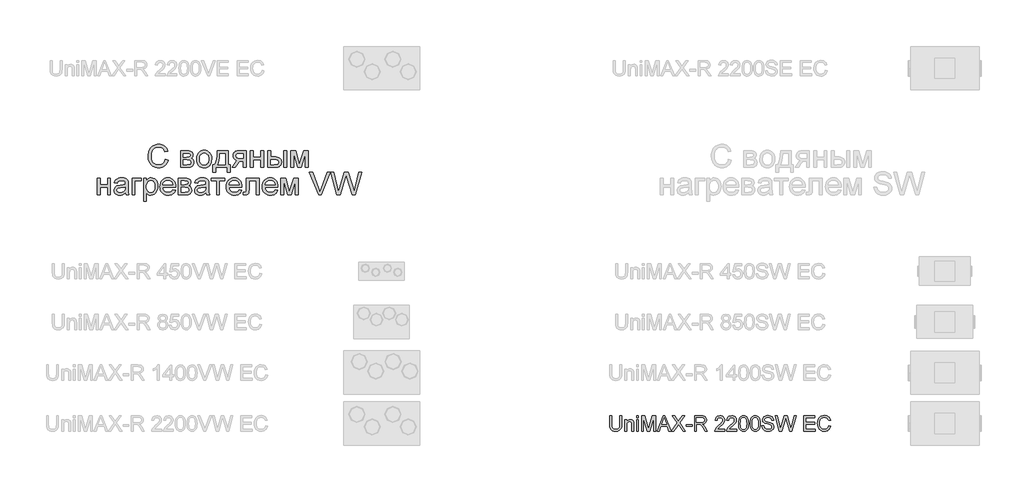
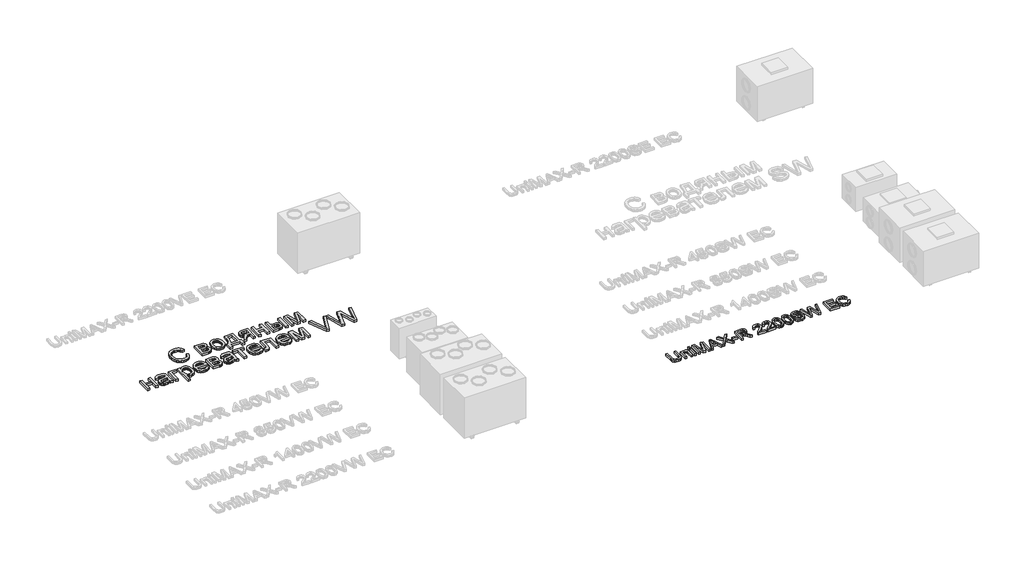
# One storey, part 13 of 74: 2 proxies.
"""IFC4 building model written with IfcOpenShell, lengths in millimetres."""

from ifc_helpers import new_model, si_unit, origin, origin_with_axes, place, context, project, spatial, polyline, outline, extrude, element, save

model = new_model("IFC4")

# Units and contexts
model_context = context("Model", 3, world=origin())
ifc_project = project(units=[si_unit("LENGTHUNIT", "METRE", prefix="MILLI")], contexts=[model_context])

# Site, building, storey
site = spatial("IfcSite", under=ifc_project)
building = spatial("IfcBuilding", under=site)
storey = spatial("IfcBuildingStorey", under=building, Elevation=0.0)

# Proxies
placement = place(None, origin())
element("IfcBuildingElementProxy", 1, Name="Generic Models", at=placement, inside=storey, context=model_context, shape_type="SweptSolid", body=[
    extrude(outline(polyline([(47217.6929066, -32678.9298031), (47273.8999244, -32693.4206749), (47262.7779059, -32728.3751002), (47247.9645573, -32758.9177687), (47229.4598787, -32785.0486803), (47207.2638701, -32806.7678349), (47181.8773996, -32823.8419516), (47153.8013355, -32836.0377492), (47123.0356778, -32843.3552278), (47089.5804264, -32845.7943874), (47055.3052607, -32843.9487223), (47024.3852258, -32838.4117273), (46996.8203217, -32829.1834022), (46972.6105485, -32816.2637471), (46951.4231374, -32799.8448758), (46932.92532, -32780.1189021), (46917.1170963, -32757.0858261), (46903.9984661, -32730.7456477), (46886.3377161, -32672.699826), (46880.4507995, -32610.5372794), (46882.1146425, -32576.6360495), (46887.1061715, -32544.9715735), (46895.4253864, -32515.5438514), (46907.0722874, -32488.3528832), (46921.7861485, -32463.848078), (46939.3062437, -32442.4788449), (46959.6325731, -32424.2451841), (46982.7651367, -32409.1470953), (47007.918326, -32397.3080805), (47034.3065329, -32388.8516414), (47061.9297573, -32383.7777779), (47090.7879991, -32382.0864901), (47122.9361903, -32384.2752155), (47152.4153715, -32390.8413918), (47179.2255426, -32401.7850189), (47203.3667038, -32417.1060969), (47224.4409049, -32436.3998145), (47242.0501958, -32459.2613603), (47256.1945766, -32485.6907344), (47266.8740472, -32515.6879368), (47210.6670294, -32529.0810153), (47191.181198, -32488.0921573), (47178.7624111, -32472.4245883), (47164.55971, -32459.9749259), (47148.4907603, -32450.4893056), (47130.4732275, -32443.7138624), (47088.5924125, -32438.2935079), (47063.3774722, -32439.7961125), (47040.3169513, -32444.3039263), (47019.4108498, -32451.8169494), (47000.6591677, -32462.3351816), (46984.2986167, -32475.3851996), (46970.5659084, -32490.4935802), (46959.4610429, -32507.6603232), (46950.9840201, -32526.8854286), (46940.239368, -32568.0252332), (46936.6578173, -32610.4275001), (46940.898044, -32662.353124), (46953.6187241, -32707.2528707), (46963.2793053, -32726.6392146), (46975.3001421, -32743.4114381), (46989.6812346, -32757.5695413), (47006.4225826, -32769.1135241), (47043.733833, -32784.4689082), (47083.9816805, -32789.5873695), (47108.4178737, -32787.8446226), (47130.8986224, -32782.6163819), (47151.4239269, -32773.9026475), (47169.9937869, -32761.7034192), (47186.1690854, -32746.0735869), (47199.5107048, -32727.0680401), (47210.0186452, -32704.6867788), (47217.6929066, -32678.9298031)])), origin_with_axes(), (0.0, 0.0, 1.0), 50.0),
    extrude(outline(polyline([(47519.8056275, -32508.5522802), (47643.6367137, -32508.5522802), (47683.4454439, -32510.4322513), (47711.5352304, -32516.0721645), (47732.2011896, -32526.7207596), (47749.7384379, -32543.6267767), (47761.7181075, -32565.6512552), (47765.7113306, -32591.6552344), (47763.2961853, -32612.6093643), (47756.0507495, -32630.6817868), (47743.9475781, -32645.9548363), (47726.9592265, -32658.5108474), (47747.7624099, -32670.1886238), (47764.7233167, -32688.974612), (47776.003143, -32713.3867909), (47779.7630851, -32741.9431395), (47776.6412354, -32764.9487707), (47770.2397281, -32784.7845237), (47760.5585633, -32801.4503985), (47747.5977409, -32814.9463951), (47731.3366774, -32825.3685704), (47711.7547891, -32832.8129814), (47688.852076, -32837.2796279), (47662.6285381, -32838.7685101), (47519.8056275, -32838.7685101), (47519.8056275, -32508.5522802)]), holes=[polyline([(47576.0126454, -32635.0180704), (47631.5609873, -32635.0180704), (47677.3938583, -32632.1638078), (47699.6790626, -32620.7467573), (47707.0480002, -32611.3057348), (47709.5043128, -32600.1082429), (47705.195474, -32583.33945), (47692.2689577, -32572.5536306), (47668.9134049, -32566.7078812), (47633.3174566, -32564.7592981), (47576.0126454, -32564.7592981), (47576.0126454, -32635.0180704)]), polyline([(47576.0126454, -32782.5614923), (47644.9540657, -32782.5614923), (47682.526042, -32780.0228452), (47706.1011535, -32772.4069041), (47718.7532215, -32758.5609859), (47723.5560673, -32737.3324076), (47721.1546444, -32723.2669307), (47713.9503757, -32710.2718023), (47702.8901081, -32700.1034917), (47688.9206881, -32694.5184682), (47639.4650991, -32691.2250883), (47576.0126454, -32691.2250883), (47576.0126454, -32782.5614923)])]), origin_with_axes(), (0.0, 0.0, 1.0), 50.0),
    extrude(outline(polyline([(47835.970103, -32673.6603952), (47839.0096182, -32630.8944843), (47848.128164, -32594.0429348), (47863.3257402, -32563.1057469), (47884.6023469, -32538.0829205), (47906.023039, -32522.0894441), (47929.6667626, -32510.6655324), (47955.5335176, -32503.8111853), (47983.6233042, -32501.526403), (48014.6325348, -32504.3086229), (48042.6708622, -32512.6552828), (48067.7382865, -32526.5663825), (48089.8348076, -32546.041922), (48107.8694935, -32570.4232255), (48120.7514119, -32599.0516168), (48128.480563, -32631.9270961), (48131.0569467, -32669.0496632), (48126.5011044, -32725.8330226), (48120.8063016, -32749.140547), (48112.8335776, -32769.0586345), (48090.4523164, -32801.4298149), (48059.7552707, -32825.64988), (48023.2948102, -32840.7582605), (47983.6233042, -32845.7943874), (47952.1612338, -32843.0224592), (47923.8621804, -32834.7066748), (47898.7261441, -32820.8470342), (47876.7531247, -32801.4435373), (47858.9105527, -32776.8255222), (47846.1658584, -32747.3223268), (47838.5190418, -32712.9339511), (47835.970103, -32673.6603952)]), holes=[polyline([(47892.1771208, -32673.5506158), (47893.8032272, -32700.8136268), (47898.6815462, -32724.4196137), (47906.812078, -32744.3685766), (47918.1948224, -32760.6605156), (47932.0407407, -32773.3160142), (47947.5607937, -32782.355656), (47964.7549815, -32787.7794411), (47983.6233042, -32789.5873695), (48002.3955699, -32787.7691493), (48019.5211456, -32782.3144888), (48035.0000314, -32773.2233879), (48048.8322272, -32760.4958466), (48060.2149717, -32744.0426692), (48068.3455034, -32723.7746601), (48073.2238225, -32699.6918192), (48074.8499288, -32671.7941465), (48073.2135307, -32645.3956479), (48068.3043362, -32622.4071697), (48060.1223454, -32602.828712), (48048.6675582, -32586.6602748), (48034.7839034, -32574.0047762), (48019.3153094, -32564.9651343), (48002.2617763, -32559.5413492), (47983.6233042, -32557.7334209), (47964.7549815, -32559.534488), (47947.5607937, -32564.9376895), (47932.0407407, -32573.9430253), (47918.1948224, -32586.5504954), (47906.812078, -32602.7944059), (47898.6815462, -32622.7090628), (47893.8032272, -32646.2944661), (47892.1771208, -32673.5506158)])]), origin_with_axes(), (0.0, 0.0, 1.0), 50.0),
    extrude(outline(polyline([(48243.4709824, -32508.5522802), (48454.2472993, -32508.5522802), (48454.2472993, -32782.5614923), (48496.4025627, -32782.5614923), (48496.4025627, -32930.1049141), (48440.1955449, -32930.1049141), (48440.1955449, -32838.7685101), (48208.3415962, -32838.7685101), (48208.3415962, -32930.1049141), (48152.1345784, -32930.1049141), (48152.1345784, -32782.5614923), (48187.2639645, -32782.5614923), (48200.9898116, -32761.350067), (48212.8013816, -32736.4130057), (48230.6816902, -32675.3619748), (48240.9048905, -32599.4083997), (48243.4709824, -32508.5522802)]), holes=[polyline([(48292.652123, -32564.7592981), (48288.0413911, -32633.5772167), (48279.4786032, -32692.8168886), (48266.9637594, -32742.4783138), (48250.4968596, -32782.5614923), (48398.0402815, -32782.5614923), (48398.0402815, -32564.7592981), (48292.652123, -32564.7592981)])]), origin_with_axes(), (0.0, 0.0, 1.0), 50.0),
    extrude(outline(polyline([(48812.5670381, -32508.5522802), (48812.5670381, -32838.7685101), (48756.3600203, -32838.7685101), (48756.3600203, -32712.30272), (48725.7315867, -32712.30272), (48701.3056854, -32714.0866341), (48684.0154407, -32719.4383765), (48667.3564271, -32734.9995968), (48644.8242192, -32767.4119445), (48600.0342519, -32838.7685101), (48535.0448875, -32838.7685101), (48591.471464, -32748.5298994), (48616.3913723, -32716.1449966), (48628.110316, -32706.703974), (48639.3352527, -32701.7639041), (48618.6967383, -32697.2012006), (48600.9124865, -32689.9900708), (48585.9824974, -32680.1305145), (48573.9067709, -32667.6225319), (48557.9338782, -32637.872333), (48552.6095806, -32603.9505195), (48554.4278008, -32583.7099552), (48559.8824613, -32565.4728637), (48568.9735622, -32549.2392451), (48581.7011035, -32535.0090992), (48597.8729713, -32523.4342409), (48617.2970518, -32515.166485), (48639.973345, -32510.2058314), (48665.9018509, -32508.5522802), (48812.5670381, -32508.5522802)]), holes=[polyline([(48756.3600203, -32564.7592981), (48682.2589714, -32564.7592981), (48643.9871518, -32568.0115108), (48631.0572049, -32572.0767767), (48622.2645666, -32577.7681489), (48612.1785905, -32591.8885154), (48608.8165984, -32608.2319135), (48613.7703908, -32629.6526056), (48628.6317678, -32644.5139826), (48656.0903232, -32653.2002722), (48698.8356505, -32656.0957021), (48756.3600203, -32656.0957021), (48756.3600203, -32564.7592981)])]), origin_with_axes(), (0.0, 0.0, 1.0), 50.0),
    extrude(outline(polyline([(48896.8775649, -32508.5522802), (48953.0845828, -32508.5522802), (48953.0845828, -32635.0180704), (49100.6280046, -32635.0180704), (49100.6280046, -32508.5522802), (49156.8350225, -32508.5522802), (49156.8350225, -32838.7685101), (49100.6280046, -32838.7685101), (49100.6280046, -32691.2250883), (48953.0845828, -32691.2250883), (48953.0845828, -32838.7685101), (48896.8775649, -32838.7685101), (48896.8775649, -32508.5522802)])), origin_with_axes(), (0.0, 0.0, 1.0), 50.0),
    extrude(outline(polyline([(49241.1455493, -32508.5522802), (49297.3525671, -32508.5522802), (49297.3525671, -32627.9921932), (49366.8428841, -32627.9921932), (49398.8195451, -32629.7520931), (49426.905901, -32635.0317928), (49451.1019518, -32643.8312924), (49471.4076976, -32656.1505918), (49487.4732167, -32671.5642961), (49498.9485874, -32689.6470104), (49505.8338099, -32710.3987347), (49508.1288841, -32733.819469), (49506.2043152, -32754.7152787), (49500.4306084, -32774.0398716), (49490.8077639, -32791.7932479), (49477.3357815, -32807.9754076), (49459.6372949, -32821.4473899), (49437.3349375, -32831.0702345), (49410.4287094, -32836.8439412), (49378.9186106, -32838.7685101), (49241.1455493, -32838.7685101), (49241.1455493, -32508.5522802)]), holes=[polyline([(49297.3525671, -32782.5614923), (49355.0964956, -32782.5614923), (49399.8590181, -32779.6111727), (49429.6366619, -32770.7602141), (49446.3505651, -32755.6518336), (49451.9218662, -32733.9292483), (49447.7914189, -32715.5686551), (49435.4000768, -32699.3487588), (49424.6451329, -32692.7208317), (49408.9020906, -32687.986598), (49362.4517108, -32684.199211), (49297.3525671, -32684.199211), (49297.3525671, -32782.5614923)])]), origin_with_axes(), (0.0, 0.0, 1.0), 50.0),
    extrude(outline(polyline([(49550.2841475, -32508.5522802), (49606.4911653, -32508.5522802), (49606.4911653, -32838.7685101), (49550.2841475, -32838.7685101), (49550.2841475, -32508.5522802)])), origin_with_axes(), (0.0, 0.0, 1.0), 50.0),
    extrude(outline(polyline([(49690.8016921, -32508.5522802), (49787.5172833, -32508.5522802), (49862.0574496, -32772.9009111), (49942.4159204, -32508.5522802), (50035.0696764, -32508.5522802), (50035.0696764, -32838.7685101), (49978.8626586, -32838.7685101), (49978.8626586, -32572.8829686), (49898.0650704, -32838.7685101), (49824.2933595, -32838.7685101), (49747.0087099, -32560.1485662), (49747.0087099, -32838.7685101), (49690.8016921, -32838.7685101), (49690.8016921, -32508.5522802)])), origin_with_axes(), (0.0, 0.0, 1.0), 50.0),
    extrude(outline(polyline([(45875.7503554, -33048.9843634), (45931.9573732, -33048.9843634), (45931.9573732, -33175.4501536), (46079.5007951, -33175.4501536), (46079.5007951, -33048.9843634), (46135.7078129, -33048.9843634), (46135.7078129, -33379.2005933), (46079.5007951, -33379.2005933), (46079.5007951, -33231.6571714), (45931.9573732, -33231.6571714), (45931.9573732, -33379.2005933), (45875.7503554, -33379.2005933), (45875.7503554, -33048.9843634)])), origin_with_axes(), (0.0, 0.0, 1.0), 50.0),
    extrude(outline(polyline([(46430.7946567, -33337.0453299), (46403.9398876, -33360.0715447), (46376.2892184, -33375.138758), (46347.211418, -33383.4545424), (46316.075255, -33386.2264705), (46291.048998, -33384.5591969), (46269.1034234, -33379.5573761), (46250.2385314, -33371.2210081), (46234.4543218, -33359.5500929), (46221.9909371, -33345.285641), (46213.0885194, -33329.1686629), (46207.7470688, -33311.1991585), (46205.9665852, -33291.3771279), (46208.6561789, -33268.0764647), (46216.7249598, -33246.9164985), (46229.1711915, -33228.8029088), (46244.9931377, -33214.641375), (46263.587012, -33203.9378902), (46284.3490281, -33196.1984473), (46332.9812721, -33187.7454387), (46390.4507522, -33178.8533129), (46430.4653187, -33168.4242764), (46430.7946567, -33155.9094325), (46426.9249352, -33130.8248552), (46415.3157709, -33114.4128451), (46389.3529589, -33102.2273393), (46353.1806691, -33098.165504), (46319.6979729, -33100.8688201), (46296.3149753, -33108.9787682), (46280.3695273, -33123.9773694), (46269.1994803, -33147.3466447), (46212.9924625, -33140.3207674), (46222.7491006, -33109.5825545), (46237.3085845, -33085.4311016), (46258.0294333, -33066.960729), (46286.2701664, -33053.2657574), (46320.8094887, -33044.785304), (46360.426105, -33041.9584862), (46398.4234762, -33044.455966), (46428.5441804, -33051.9484054), (46451.2547796, -33063.2145093), (46467.0218361, -33077.0329827), (46477.4783175, -33094.1173912), (46484.2571912, -33115.1813005), (46487.0016745, -33164.3624411), (46487.0016745, -33234.2918754), (46489.8559371, -33331.940591), (46501.053429, -33379.2005933), (46444.8464111, -33379.2005933), (46435.8445059, -33359.6598722), (46430.7946567, -33337.0453299)]), holes=[polyline([(46430.7946567, -33224.6312942), (46393.0305665, -33233.9899822), (46340.1169286, -33241.8666493), (46291.759133, -33250.9783338), (46279.1756771, -33257.2083109), (46269.8581563, -33265.7985436), (46264.0947414, -33276.090356), (46262.1736031, -33287.425072), (46266.3589401, -33304.1389752), (46278.9149512, -33317.8339469), (46299.567188, -33326.9730762), (46328.0412021, -33330.0194527), (46358.2305184, -33326.6574606), (46384.906896, -33316.5714845), (46406.5334243, -33301.7101075), (46421.5731928, -33284.0219127), (46428.2422872, -33265.7985436), (46430.4653187, -33240.5492973), (46430.7946567, -33224.6312942)])]), origin_with_axes(), (0.0, 0.0, 1.0), 50.0),
    extrude(outline(polyline([(46564.2863241, -33048.9843634), (46746.9591321, -33048.9843634), (46746.9591321, -33105.1913813), (46620.4933419, -33105.1913813), (46620.4933419, -33379.2005933), (46564.2863241, -33379.2005933), (46564.2863241, -33048.9843634)])), origin_with_axes(), (0.0, 0.0, 1.0), 50.0),
    extrude(outline(polyline([(46789.1143955, -33505.6663835), (46789.1143955, -33048.9843634), (46845.3214133, -33048.9843634), (46845.3214133, -33104.093588), (46863.6545617, -33076.9094809), (46884.1832968, -33057.4922616), (46908.1151911, -33045.84193), (46936.6578173, -33041.9584862), (46974.6689109, -33047.3925631), (47007.9046036, -33063.6947939), (47034.9652089, -33089.8771645), (47054.4510403, -33124.951661), (47066.2248736, -33166.3659139), (47070.1494847, -33211.5675537), (47065.7171442, -33259.6371786), (47052.4201226, -33302.6295094), (47030.683815, -33338.3626819), (47000.9336161, -33364.6548318), (46966.2845145, -33380.8335609), (46929.8514988, -33386.2264705), (46904.0121885, -33382.617475), (46880.9448065, -33371.7904884), (46861.1982492, -33355.4470904), (46845.3214133, -33335.2888606), (46845.3214133, -33505.6663835), (46789.1143955, -33505.6663835)]), holes=[polyline([(46845.3214133, -33216.7271823), (46846.8411709, -33243.8152324), (46851.4004438, -33267.1158956), (46858.9992319, -33286.6291718), (46869.6375353, -33302.3550611), (46882.4439805, -33314.4582324), (46896.547194, -33323.1033548), (46911.9471759, -33328.2904282), (46928.6439261, -33330.0194527), (46945.5808186, -33328.2286773), (46961.2621101, -33322.8563513), (46975.6878004, -33313.9024745), (46988.8578896, -33301.3670471), (46999.8323921, -33285.0716775), (47007.6713225, -33264.8379745), (47012.3746808, -33240.6659378), (47013.9424669, -33212.5555677), (47012.4124174, -33185.7007987), (47007.8222691, -33162.4413028), (47000.1720219, -33142.77708), (46989.4616759, -33126.7081303), (46976.6243553, -33114.2207313), (46962.5931845, -33105.3011606), (46947.3681634, -33099.9494182), (46930.9492921, -33098.165504), (46914.5818798, -33100.0626281), (46899.181898, -33105.7540003), (46884.7493464, -33115.2396207), (46871.2842253, -33128.5194893), (46859.925495, -33145.4152145), (46851.8121163, -33165.7484051), (46846.9440891, -33189.5190611), (46845.3214133, -33216.7271823)])]), origin_with_axes(), (0.0, 0.0, 1.0), 50.0),
    extrude(outline(polyline([(47364.5776525, -33280.8383121), (47419.686877, -33287.8641893), (47411.2372991, -33309.9366962), (47399.8305404, -33329.3882215), (47385.4666009, -33346.2187653), (47368.1454807, -33360.4283276), (47348.0455712, -33371.7150151), (47325.3452638, -33379.7769348), (47300.0445584, -33384.6140866), (47272.1434551, -33386.2264705), (47237.2679337, -33383.4442506), (47206.1935216, -33375.0975908), (47178.9202189, -33361.1864911), (47155.4480255, -33341.7109515), (47136.5728416, -33317.2130075), (47123.0905675, -33288.2346945), (47115.001203, -33254.7760126), (47112.3047481, -33216.8369617), (47115.0286478, -33177.6114342), (47123.2003468, -33143.0378059), (47136.8198451, -33113.1160768), (47155.8871428, -33087.8462469), (47179.2975853, -33067.7703516), (47205.9465181, -33053.4304264), (47235.8339412, -33044.8264712), (47268.9598545, -33041.9584862), (47301.01885, -33044.81961), (47330.0108854, -33053.4029815), (47355.9359607, -33067.7086007), (47378.7940759, -33087.7364675), (47397.4531317, -33112.9514078), (47410.7810287, -33142.8182472), (47418.7777669, -33177.3369858), (47421.4433463, -33216.5076237), (47421.1140083, -33231.6571714), (47168.511766, -33231.6571714), (47171.7674093, -33254.0864612), (47178.2409592, -33273.7301003), (47187.9324159, -33290.588089), (47200.8417792, -33304.660427), (47216.2554835, -33315.7550008), (47233.4599631, -33323.6796963), (47252.4552181, -33328.4345136), (47273.2412484, -33330.0194527), (47303.1561163, -33327.0828556), (47328.350473, -33318.2730642), (47348.8243184, -33303.0411819), (47364.5776525, -33280.8383121)]), holes=[polyline([(47168.511766, -33175.4501536), (47365.2363284, -33175.4501536), (47357.6341097, -33145.7548443), (47342.7315654, -33124.5125437), (47327.4036262, -33112.9857138), (47309.9624349, -33104.7522639), (47290.4079915, -33099.812194), (47268.7402958, -33098.165504), (47230.852704, -33103.4211895), (47199.5244272, -33119.1882461), (47187.0679036, -33130.5881435), (47177.7469522, -33143.765094), (47171.561573, -33158.7190973), (47168.511766, -33175.4501536)])]), origin_with_axes(), (0.0, 0.0, 1.0), 50.0),
    extrude(outline(polyline([(47477.6503642, -33048.9843634), (47601.4814504, -33048.9843634), (47641.2901805, -33050.8643345), (47669.379967, -33056.5042476), (47690.0459262, -33067.1528428), (47707.5831745, -33084.0588599), (47719.5628441, -33106.0833383), (47723.5560673, -33132.0873175), (47721.140922, -33153.0414475), (47713.8954861, -33171.11387), (47701.7923147, -33186.3869195), (47684.8039632, -33198.9429306), (47705.6071465, -33210.620707), (47722.5680533, -33229.4066951), (47733.8478796, -33253.818874), (47737.6078217, -33282.3752227), (47734.485972, -33305.3808539), (47728.0844647, -33325.2166069), (47718.4032999, -33341.8824817), (47705.4424775, -33355.3784783), (47689.181414, -33365.8006536), (47669.5995257, -33373.2450646), (47646.6968126, -33377.7117111), (47620.4732748, -33379.2005933), (47477.6503642, -33379.2005933), (47477.6503642, -33048.9843634)]), holes=[polyline([(47533.857382, -33322.9935754), (47602.7988023, -33322.9935754), (47640.3707786, -33320.4549284), (47663.9458901, -33312.8389873), (47676.5979581, -33298.993069), (47681.4008039, -33277.7644908), (47678.999381, -33263.6990139), (47671.7951123, -33250.7038855), (47660.7348447, -33240.5355749), (47646.7654247, -33234.9505514), (47597.3098358, -33231.6571714), (47533.857382, -33231.6571714), (47533.857382, -33322.9935754)]), polyline([(47533.857382, -33175.4501536), (47589.4057239, -33175.4501536), (47635.2385949, -33172.595891), (47657.5237992, -33161.1788405), (47664.8927369, -33151.7378179), (47667.3490494, -33140.5403261), (47663.0402106, -33123.7715332), (47650.1136943, -33112.9857138), (47626.7581415, -33107.1399644), (47591.1621932, -33105.1913813), (47533.857382, -33105.1913813), (47533.857382, -33175.4501536)])]), origin_with_axes(), (0.0, 0.0, 1.0), 50.0),
    extrude(outline(polyline([(48018.642911, -33337.0453299), (47991.788142, -33360.0715447), (47964.1374728, -33375.138758), (47935.0596723, -33383.4545424), (47903.9235093, -33386.2264705), (47878.8972523, -33384.5591969), (47856.9516777, -33379.5573761), (47838.0867857, -33371.2210081), (47822.3025762, -33359.5500929), (47809.8391914, -33345.285641), (47800.9367737, -33329.1686629), (47795.5953231, -33311.1991585), (47793.8148396, -33291.3771279), (47796.5044332, -33268.0764647), (47804.5732141, -33246.9164985), (47817.0194458, -33228.8029088), (47832.841392, -33214.641375), (47851.4352663, -33203.9378902), (47872.1972824, -33196.1984473), (47920.8295264, -33187.7454387), (47978.2990066, -33178.8533129), (48018.313573, -33168.4242764), (48018.642911, -33155.9094325), (48014.7731895, -33130.8248552), (48003.1640252, -33114.4128451), (47977.2012132, -33102.2273393), (47941.0289234, -33098.165504), (47907.5462273, -33100.8688201), (47884.1632296, -33108.9787682), (47868.2177817, -33123.9773694), (47857.0477347, -33147.3466447), (47800.8407168, -33140.3207674), (47810.5973549, -33109.5825545), (47825.1568388, -33085.4311016), (47845.8776877, -33066.960729), (47874.1184207, -33053.2657574), (47908.657743, -33044.785304), (47948.2743593, -33041.9584862), (47986.2717305, -33044.455966), (48016.3924347, -33051.9484054), (48039.1030339, -33063.2145093), (48054.8700905, -33077.0329827), (48065.3265718, -33094.1173912), (48072.1054455, -33115.1813005), (48074.8499288, -33164.3624411), (48074.8499288, -33234.2918754), (48077.7041915, -33331.940591), (48088.9016833, -33379.2005933), (48032.6946654, -33379.2005933), (48023.6927602, -33359.6598722), (48018.642911, -33337.0453299)]), holes=[polyline([(48018.642911, -33224.6312942), (47980.8788209, -33233.9899822), (47927.965183, -33241.8666493), (47879.6073873, -33250.9783338), (47867.0239314, -33257.2083109), (47857.7064106, -33265.7985436), (47851.9429957, -33276.090356), (47850.0218574, -33287.425072), (47854.2071944, -33304.1389752), (47866.7632055, -33317.8339469), (47887.4154423, -33326.9730762), (47915.8894565, -33330.0194527), (47946.0787727, -33326.6574606), (47972.7551503, -33316.5714845), (47994.3816787, -33301.7101075), (48009.4214471, -33284.0219127), (48016.0905415, -33265.7985436), (48018.313573, -33240.5492973), (48018.642911, -33224.6312942)])]), origin_with_axes(), (0.0, 0.0, 1.0), 50.0),
    extrude(outline(polyline([(48124.0310695, -33048.9843634), (48391.0144043, -33048.9843634), (48391.0144043, -33105.1913813), (48285.6262458, -33105.1913813), (48285.6262458, -33379.2005933), (48229.4192279, -33379.2005933), (48229.4192279, -33105.1913813), (48124.0310695, -33105.1913813), (48124.0310695, -33048.9843634)])), origin_with_axes(), (0.0, 0.0, 1.0), 50.0),
    extrude(outline(polyline([(48671.3908175, -33280.8383121), (48726.5000421, -33287.8641893), (48718.0504641, -33309.9366962), (48706.6437054, -33329.3882215), (48692.279766, -33346.2187653), (48674.9586458, -33360.4283276), (48654.8587363, -33371.7150151), (48632.1584288, -33379.7769348), (48606.8577235, -33384.6140866), (48578.9566202, -33386.2264705), (48544.0810987, -33383.4442506), (48513.0066867, -33375.0975908), (48485.7333839, -33361.1864911), (48462.2611906, -33341.7109515), (48443.3860067, -33317.2130075), (48429.9037325, -33288.2346945), (48421.814368, -33254.7760126), (48419.1179132, -33216.8369617), (48421.8418128, -33177.6114342), (48430.0135119, -33143.0378059), (48443.6330102, -33113.1160768), (48462.7003079, -33087.8462469), (48486.1107504, -33067.7703516), (48512.7596832, -33053.4304264), (48542.6471062, -33044.8264712), (48575.7730196, -33041.9584862), (48607.832015, -33044.81961), (48636.8240504, -33053.4029815), (48662.7491258, -33067.7086007), (48685.607241, -33087.7364675), (48704.2662968, -33112.9514078), (48717.5941938, -33142.8182472), (48725.590932, -33177.3369858), (48728.2565114, -33216.5076237), (48727.9271734, -33231.6571714), (48475.324931, -33231.6571714), (48478.5805743, -33254.0864612), (48485.0541243, -33273.7301003), (48494.7455809, -33290.588089), (48507.6549442, -33304.660427), (48523.0686485, -33315.7550008), (48540.2731282, -33323.6796963), (48559.2683832, -33328.4345136), (48580.0544135, -33330.0194527), (48609.9692814, -33327.0828556), (48635.163638, -33318.2730642), (48655.6374834, -33303.0411819), (48671.3908175, -33280.8383121)]), holes=[polyline([(48475.324931, -33175.4501536), (48672.0494935, -33175.4501536), (48664.4472748, -33145.7548443), (48649.5447305, -33124.5125437), (48634.2167913, -33112.9857138), (48616.7756, -33104.7522639), (48597.2211565, -33099.812194), (48575.5534609, -33098.165504), (48537.665869, -33103.4211895), (48506.3375922, -33119.1882461), (48493.8810687, -33130.5881435), (48484.5601173, -33143.765094), (48478.3747381, -33158.7190973), (48475.324931, -33175.4501536)])]), origin_with_axes(), (0.0, 0.0, 1.0), 50.0),
    extrude(outline(polyline([(48812.5670381, -33048.9843634), (49065.4986185, -33048.9843634), (49065.4986185, -33378.8712553), (49009.2916006, -33378.8712553), (49009.2916006, -33105.1913813), (48868.774056, -33105.1913813), (48868.774056, -33262.7247223), (48864.9866691, -33335.3986399), (48857.8921797, -33351.8518173), (48844.1834857, -33366.0819632), (48823.3803023, -33375.9209358), (48795.0023451, -33379.2005933), (48749.3341431, -33376.3463307), (48749.3341431, -33322.9935754), (48774.47361, -33322.9935754), (48799.8875253, -33319.5355265), (48806.2410042, -33315.0620187), (48810.0421135, -33308.5575933), (48812.5670381, -33259.5411217), (48812.5670381, -33048.9843634)])), origin_with_axes(), (0.0, 0.0, 1.0), 50.0),
    extrude(outline(polyline([(49381.0044179, -33280.8383121), (49436.1136424, -33287.8641893), (49427.6640645, -33309.9366962), (49416.2573058, -33329.3882215), (49401.8933664, -33346.2187653), (49384.5722462, -33360.4283276), (49364.4723367, -33371.7150151), (49341.7720292, -33379.7769348), (49316.4713239, -33384.6140866), (49288.5702206, -33386.2264705), (49253.6946991, -33383.4442506), (49222.620287, -33375.0975908), (49195.3469843, -33361.1864911), (49171.8747909, -33341.7109515), (49152.9996071, -33317.2130075), (49139.5173329, -33288.2346945), (49131.4279684, -33254.7760126), (49128.7315136, -33216.8369617), (49131.4554132, -33177.6114342), (49139.6271122, -33143.0378059), (49153.2466106, -33113.1160768), (49172.3139083, -33087.8462469), (49195.7243508, -33067.7703516), (49222.3732835, -33053.4304264), (49252.2607066, -33044.8264712), (49285.38662, -33041.9584862), (49317.4456154, -33044.81961), (49346.4376508, -33053.4029815), (49372.3627261, -33067.7086007), (49395.2208414, -33087.7364675), (49413.8798972, -33112.9514078), (49427.2077942, -33142.8182472), (49435.2045323, -33177.3369858), (49437.8701117, -33216.5076237), (49437.5407738, -33231.6571714), (49184.9385314, -33231.6571714), (49188.1941747, -33254.0864612), (49194.6677247, -33273.7301003), (49204.3591813, -33290.588089), (49217.2685446, -33304.660427), (49232.6822489, -33315.7550008), (49249.8867286, -33323.6796963), (49268.8819836, -33328.4345136), (49289.6680139, -33330.0194527), (49319.5828818, -33327.0828556), (49344.7772384, -33318.2730642), (49365.2510838, -33303.0411819), (49381.0044179, -33280.8383121)]), holes=[polyline([(49184.9385314, -33175.4501536), (49381.6630939, -33175.4501536), (49374.0608752, -33145.7548443), (49359.1583309, -33124.5125437), (49343.8303917, -33112.9857138), (49326.3892004, -33104.7522639), (49306.8347569, -33099.812194), (49285.1670613, -33098.165504), (49247.2794694, -33103.4211895), (49215.9511926, -33119.1882461), (49203.4946691, -33130.5881435), (49194.1737177, -33143.765094), (49187.9883385, -33158.7190973), (49184.9385314, -33175.4501536)])]), origin_with_axes(), (0.0, 0.0, 1.0), 50.0),
    extrude(outline(polyline([(49494.0771296, -33048.9843634), (49590.7927209, -33048.9843634), (49665.3328871, -33313.3329943), (49745.691358, -33048.9843634), (49838.3451139, -33048.9843634), (49838.3451139, -33379.2005933), (49782.1380961, -33379.2005933), (49782.1380961, -33113.3150518), (49701.3405079, -33379.2005933), (49627.568797, -33379.2005933), (49550.2841475, -33100.5806493), (49550.2841475, -33379.2005933), (49494.0771296, -33379.2005933), (49494.0771296, -33048.9843634)])), origin_with_axes(), (0.0, 0.0, 1.0), 50.0),
    extrude(outline(polyline([(50238.1614402, -33379.2005933), (50059.2211294, -32929.5444505), (50119.3802032, -32929.5444505), (50239.1494541, -33253.5032585), (50263.4106865, -33326.5065141), (50287.3425808, -33253.5032585), (50407.4411697, -32929.5444505), (50467.6002435, -32929.5444505), (50296.2347066, -33379.2005933), (50238.1614402, -33379.2005933)])), origin_with_axes(), (0.0, 0.0, 1.0), 50.0),
    extrude(outline(polyline([(50600.3234556, -33379.2005933), (50477.699942, -32929.5444505), (50535.6634292, -32929.5444505), (50606.8004361, -33225.0704115), (50628.7563025, -33316.2970362), (50652.2490795, -33235.6092274), (50741.3898969, -32929.5444505), (50824.9319683, -32929.5444505), (50889.701774, -33151.4084799), (50917.4485001, -33233.7429787), (50937.8949007, -33316.2970362), (50959.192091, -33227.7051155), (51030.987774, -32929.5444505), (51088.9512612, -32929.5444505), (50966.2179683, -33379.2005933), (50906.1686738, -33379.2005933), (50798.36537, -33032.297905), (50783.3256016, -32983.8852197), (50766.4195845, -33042.1780448), (50668.1670826, -33379.2005933), (50600.3234556, -33379.2005933)])), origin_with_axes(), (0.0, 0.0, 1.0), 50.0),
])
element("IfcBuildingElementProxy", 2, Name="Generic Models", at=placement, inside=storey, context=model_context, shape_type="SweptSolid", body=[
    extrude(outline(polyline([(56174.9839486, -37731.9528304), (56212.6550649, -37731.9528304), (56212.6550649, -37905.8138613), (56210.098285, -37946.5292011), (56202.4279454, -37977.8819441), (56188.0989417, -38002.0701853), (56165.5661695, -38021.2920196), (56134.7744465, -38033.8459926), (56095.6685904, -38038.0306503), (56057.41806, -38034.3886186), (56026.8378691, -38023.4625233), (56003.9188208, -38005.6294436), (55988.651718, -37981.2664585), (55980.0708705, -37948.5893403), (55977.210588, -37905.8138613), (55977.210588, -37731.9528304), (56014.8817043, -37731.9528304), (56014.8817043, -37904.4894861), (56016.7395084, -37938.3438267), (56022.3129206, -37961.9158655), (56032.4112814, -37978.2406291), (56047.8439311, -37990.3531438), (56067.9670762, -37997.8579365), (56092.1369233, -38000.359534), (56130.4518331, -37995.4115212), (56144.7946324, -37989.2265052), (56155.9276613, -37980.5674827), (56164.264787, -37968.3905887), (56170.2198768, -37951.6519579), (56174.9839486, -37904.4894861), (56174.9839486, -37731.9528304)])), origin_with_axes(), (0.0, 0.0, 1.0), 50.0),
    extrude(outline(polyline([(56273.8706289, -38033.3217608), (56273.8706289, -37812.0039525), (56311.5417452, -37812.0039525), (56311.5417452, -37842.9060401), (56324.6291472, -37827.3262376), (56340.3469054, -37816.1978072), (56358.6950199, -37809.520749), (56379.6734907, -37807.295063), (56398.2423344, -37809.0884877), (56415.2476797, -37814.4687619), (56429.4295306, -37822.7645009), (56439.5278913, -37833.30432), (56450.8218686, -37861.0058343), (56452.8084314, -37897.4261518), (56452.8084314, -38033.3217608), (56415.1373151, -38033.3217608), (56415.1373151, -37902.5029233), (56410.7963075, -37869.1728146), (56404.7906339, -37859.2491977), (56395.4556283, -37851.551267), (56383.4902664, -37846.6124512), (56369.5935241, -37844.9661793), (56347.5298014, -37848.6633933), (56328.7218344, -37859.7550355), (56321.2055454, -37868.8095311), (56315.8367675, -37881.1841617), (56311.5417452, -37915.8938279), (56311.5417452, -38033.3217608), (56273.8706289, -38033.3217608)])), origin_with_axes(), (0.0, 0.0, 1.0), 50.0),
    extrude(outline(polyline([(56504.6062163, -38033.3217608), (56504.6062163, -37812.0039525), (56542.2773326, -37812.0039525), (56542.2773326, -38033.3217608), (56504.6062163, -38033.3217608)])), origin_with_axes(), (0.0, 0.0, 1.0), 50.0),
    extrude(outline(polyline([(56504.6062163, -37769.6239467), (56504.6062163, -37731.9528304), (56542.2773326, -37731.9528304), (56542.2773326, -37769.6239467), (56504.6062163, -37769.6239467)])), origin_with_axes(), (0.0, 0.0, 1.0), 50.0),
    extrude(outline(polyline([(56603.4928966, -38033.3217608), (56603.4928966, -37731.9528304), (56668.3137041, -37731.9528304), (56729.9707265, -37944.3678944), (56742.405138, -37988.734463), (56755.869619, -37940.6890744), (56816.4965718, -37731.9528304), (56881.3173793, -37731.9528304), (56881.3173793, -38033.3217608), (56843.646263, -38033.3217608), (56843.646263, -37769.6239467), (56767.9361484, -38033.3217608), (56716.8741275, -38033.3217608), (56641.1640129, -37769.6239467), (56641.1640129, -38033.3217608), (56603.4928966, -38033.3217608)])), origin_with_axes(), (0.0, 0.0, 1.0), 50.0),
    extrude(outline(polyline([(56912.1458905, -38033.3217608), (57032.443303, -37731.9528304), (57064.5226129, -37731.9528304), (57184.8200254, -38033.3217608), (57145.0151935, -38033.3217608), (57110.5078623, -37939.14397), (56986.3844772, -37939.14397), (56951.9507224, -38033.3217608), (56912.1458905, -38033.3217608)]), holes=[polyline([(57000.2168402, -37901.4728537), (57096.7490757, -37901.4728537), (57069.5993845, -37827.3814199), (57048.482958, -37769.6239467), (57029.7209762, -37820.9066968), (57000.2168402, -37901.4728537)])]), origin_with_axes(), (0.0, 0.0, 1.0), 50.0),
    extrude(outline(polyline([(57192.1040889, -38033.3217608), (57308.2812229, -37869.0992382), (57210.939647, -37731.9528304), (57256.115556, -37731.9528304), (57310.9299733, -37809.1344729), (57329.3976495, -37839.2272201), (57351.0291108, -37808.6194381), (57405.2549169, -37731.9528304), (57451.0930135, -37731.9528304), (57353.7514376, -37869.5406965), (57469.9285716, -38033.3217608), (57424.7526626, -38033.3217608), (57347.3502908, -37924.1343846), (57331.2370594, -37901.4728537), (57313.5051473, -37926.3416766), (57237.9421855, -38033.3217608), (57192.1040889, -38033.3217608)])), origin_with_axes(), (0.0, 0.0, 1.0), 50.0),
    extrude(outline(polyline([(57484.0552402, -37943.8528596), (57484.0552402, -37906.1817433), (57601.7774787, -37906.1817433), (57601.7774787, -37943.8528596), (57484.0552402, -37943.8528596)])), origin_with_axes(), (0.0, 0.0, 1.0), 50.0),
    extrude(outline(polyline([(57648.8663741, -38033.3217608), (57648.8663741, -37731.9528304), (57778.7287184, -37731.9528304), (57813.6315227, -37733.9853784), (57839.0245774, -37740.0830224), (57857.584224, -37751.3402115), (57871.9868042, -37768.8513945), (57881.2298393, -37790.5656292), (57884.310851, -37814.4319737), (57879.2064883, -37844.1200507), (57863.8934003, -37868.7313562), (57852.2936211, -37878.7607391), (57837.9117344, -37886.775968), (57800.8016381, -37896.7639642), (57822.2123702, -37912.8771956), (57852.7465758, -37951.6519579), (57902.9992563, -38033.3217608), (57859.2212989, -38033.3217608), (57820.0050782, -37970.855398), (57791.6781646, -37929.5054618), (57771.7757487, -37909.9709278), (57753.8598955, -37902.7972289), (57732.007705, -37901.4728537), (57686.5374904, -37901.4728537), (57686.5374904, -38033.3217608), (57648.8663741, -38033.3217608)]), holes=[polyline([(57686.5374904, -37863.8017374), (57770.8560437, -37863.8017374), (57795.071876, -37862.4681652), (57813.8614489, -37858.4674485), (57828.0065116, -37851.5328729), (57838.2888134, -37841.3977239), (57844.5520044, -37829.1380564), (57846.6397347, -37815.8299253), (57842.6574121, -37797.4542196), (57830.7104443, -37782.6469693), (57810.1550378, -37772.8797023), (57780.3473992, -37769.6239467), (57686.5374904, -37769.6239467), (57686.5374904, -37863.8017374)])]), origin_with_axes(), (0.0, 0.0, 1.0), 50.0),
    extrude(outline(polyline([(58246.8953454, -37995.6506445), (58246.8953454, -38033.3217608), (58049.1219848, -38033.3217608), (58053.1686868, -38007.3492919), (58062.4577072, -37987.0514029), (58076.0509469, -37967.3605191), (58095.7142395, -37946.7499303), (58123.2134187, -37923.6929262), (58163.8643791, -37887.5853084), (58188.2549554, -37860.9322579), (58200.4502435, -37839.3007965), (58204.5153396, -37818.2579464), (58200.6801698, -37799.3947971), (58189.1746604, -37783.7138271), (58171.4887335, -37773.1464168), (58149.1123111, -37769.6239467), (58125.6138487, -37773.0636433), (58107.3577047, -37783.3827333), (58095.5762838, -37799.7718762), (58091.5019907, -37821.4217316), (58053.8308744, -37816.712842), (58062.9635449, -37780.2741304), (58071.5099035, -37765.7381931), (58082.709611, -37753.6578681), (58096.30515, -37744.1619141), (58112.0390031, -37737.3790898), (58149.9216515, -37731.9528304), (58170.1114753, -37733.4611465), (58188.0802115, -37737.9860951), (58203.8278601, -37745.527676), (58217.3544212, -37756.0858892), (58228.2184364, -37768.8789856), (58235.9784472, -37783.1252159), (58240.6344537, -37798.82458), (58242.1864559, -37815.9770781), (58240.5125928, -37833.9940988), (58235.4910036, -37851.6984198), (58226.5790623, -37869.7062434), (58213.2341429, -37888.6337721), (58191.9613665, -37911.2309237), (58159.2658542, -37940.247616), (58115.9293552, -37976.4839925), (58098.933207, -37995.6506445), (58246.8953454, -37995.6506445)])), origin_with_axes(), (0.0, 0.0, 1.0), 50.0),
    extrude(outline(polyline([(58477.6309328, -37995.6506445), (58477.6309328, -38033.3217608), (58279.8575722, -38033.3217608), (58283.9042742, -38007.3492919), (58293.1932945, -37987.0514029), (58306.7865343, -37967.3605191), (58326.4498269, -37946.7499303), (58353.949006, -37923.6929262), (58394.5999665, -37887.5853084), (58418.9905428, -37860.9322579), (58431.1858309, -37839.3007965), (58435.250927, -37818.2579464), (58431.4157572, -37799.3947971), (58419.9102478, -37783.7138271), (58402.2243209, -37773.1464168), (58379.8478985, -37769.6239467), (58356.3494361, -37773.0636433), (58338.093292, -37783.3827333), (58326.3118711, -37799.7718762), (58322.2375781, -37821.4217316), (58284.5664617, -37816.712842), (58293.6991323, -37780.2741304), (58302.2454909, -37765.7381931), (58313.4451984, -37753.6578681), (58327.0407374, -37744.1619141), (58342.7745904, -37737.3790898), (58380.6572389, -37731.9528304), (58400.8470626, -37733.4611465), (58418.8157988, -37737.9860951), (58434.5634475, -37745.527676), (58448.0900086, -37756.0858892), (58458.9540238, -37768.8789856), (58466.7140346, -37783.1252159), (58471.3700411, -37798.82458), (58472.9220433, -37815.9770781), (58471.2481802, -37833.9940988), (58466.226591, -37851.6984198), (58457.3146496, -37869.7062434), (58443.9697303, -37888.6337721), (58422.6969539, -37911.2309237), (58390.0014416, -37940.247616), (58346.6649425, -37976.4839925), (58329.6687944, -37995.6506445), (58477.6309328, -37995.6506445)])), origin_with_axes(), (0.0, 0.0, 1.0), 50.0),
    extrude(outline(polyline([(58515.3020491, -37885.0653167), (58518.0703611, -37836.8267901), (58526.3752972, -37798.3555305), (58540.1340838, -37769.0629266), (58559.2639475, -37748.3603673), (58583.9028442, -37736.0547146), (58614.1887294, -37731.9528304), (58637.4020833, -37734.3808515), (58658.187416, -37741.664915), (58675.5698403, -37753.5199123), (58688.5744688, -37769.6607349), (58698.3969181, -37789.9494269), (58706.2328046, -37814.2480327), (58711.3647585, -37845.104135), (58713.0754097, -37885.0653167), (58710.3346889, -37933.0279319), (58702.1125263, -37971.407221), (58688.4365131, -38000.727416), (58669.3342405, -38021.5127488), (58644.6401616, -38033.9011749), (58614.1887294, -38038.0306503), (58593.4401849, -38036.2372256), (58575.0460851, -38030.8569514), (58559.0064301, -38021.8898278), (58545.3212199, -38009.3358547), (58532.1878327, -37986.6421341), (58522.8068418, -37958.3658043), (58517.1782473, -37924.5068652), (58515.3020491, -37885.0653167)]), holes=[polyline([(58552.9731654, -37884.9917403), (58557.3877494, -37944.2483327), (58562.9059793, -37964.5163314), (58570.6315012, -37978.5441317), (58590.3499761, -37994.9056835), (58614.1887294, -38000.359534), (58638.0274827, -37994.8872894), (58657.7459577, -37978.4705553), (58665.4714796, -37964.4197624), (58670.9897095, -37944.1563622), (58675.4042934, -37884.9917403), (58671.1368623, -37827.0687202), (58665.8025733, -37806.8674001), (58658.3345688, -37792.5062068), (58638.6528821, -37775.3445117), (58613.747271, -37769.6239467), (58590.1660351, -37774.66393), (58571.2201124, -37789.78388), (58563.2370731, -37805.4188648), (58557.5349022, -37826.4985031), (58552.9731654, -37884.9917403)])]), origin_with_axes(), (0.0, 0.0, 1.0), 50.0),
    extrude(outline(polyline([(58746.0376365, -37885.0653167), (58748.8059485, -37836.8267901), (58757.1108846, -37798.3555305), (58770.8696712, -37769.0629266), (58789.9995349, -37748.3603673), (58814.6384315, -37736.0547146), (58844.9243168, -37731.9528304), (58868.1376707, -37734.3808515), (58888.9230034, -37741.664915), (58906.3054277, -37753.5199123), (58919.3100562, -37769.6607349), (58929.1325055, -37789.9494269), (58936.968392, -37814.2480327), (58942.1003458, -37845.104135), (58943.8109971, -37885.0653167), (58941.0702762, -37933.0279319), (58932.8481136, -37971.407221), (58919.1721005, -38000.727416), (58900.0698279, -38021.5127488), (58875.375749, -38033.9011749), (58844.9243168, -38038.0306503), (58824.1757723, -38036.2372256), (58805.7816725, -38030.8569514), (58789.7420175, -38021.8898278), (58776.0568073, -38009.3358547), (58762.9234201, -37986.6421341), (58753.5424292, -37958.3658043), (58747.9138347, -37924.5068652), (58746.0376365, -37885.0653167)]), holes=[polyline([(58783.7087528, -37884.9917403), (58788.1233367, -37944.2483327), (58793.6415667, -37964.5163314), (58801.3670886, -37978.5441317), (58821.0855635, -37994.9056835), (58844.9243168, -38000.359534), (58868.7630701, -37994.8872894), (58888.481545, -37978.4705553), (58896.2070669, -37964.4197624), (58901.7252969, -37944.1563622), (58906.1398808, -37884.9917403), (58901.8724497, -37827.0687202), (58896.5381607, -37806.8674001), (58889.0701562, -37792.5062068), (58869.3884695, -37775.3445117), (58844.4828584, -37769.6239467), (58820.9016225, -37774.66393), (58801.9556998, -37789.78388), (58793.9726605, -37805.4188648), (58788.2704895, -37826.4985031), (58783.7087528, -37884.9917403)])]), origin_with_axes(), (0.0, 0.0, 1.0), 50.0),
    extrude(outline(polyline([(58976.7732239, -37929.726191), (59014.4443402, -37929.726191), (59018.7669536, -37950.6310853), (59026.584446, -37967.4340955), (59038.7797342, -37980.7698178), (59056.2357348, -37991.2728488), (59077.5728905, -37998.0878627), (59101.4116438, -38000.359534), (59122.3993117, -37998.6396857), (59140.7750173, -37993.4801407), (59155.6650411, -37985.3131604), (59166.1956632, -37974.5710062), (59172.4588542, -37962.2377623), (59174.5465845, -37949.2975131), (59172.983086, -37936.6883577), (59168.2925906, -37925.7898536), (59158.7644469, -37916.4916362), (59142.6880037, -37908.6833408), (59087.8367982, -37894.2991548), (59051.8303479, -37884.7802082), (59028.791738, -37875.7211141), (59010.0389533, -37863.0475793), (58996.7492162, -37847.688506), (58988.8305563, -37829.974988), (58986.1910029, -37810.2381189), (58989.4559557, -37788.1743963), (58999.2508138, -37767.6005957), (59015.3180599, -37750.1629891), (59037.4001767, -37737.5078485), (59063.9060744, -37729.8099177), (59093.2446635, -37727.2439408), (59125.0296679, -37729.9294794), (59152.8415468, -37737.9860951), (59175.6870187, -37751.248241), (59192.5728022, -37769.5503703), (59203.2597742, -37791.7520487), (59207.5088112, -37816.712842), (59169.8376949, -37816.712842), (59162.9215134, -37794.2352521), (59148.5005392, -37778.0116561), (59125.967767, -37768.1892069), (59094.7161915, -37764.9150571), (59062.728852, -37768.1524187), (59040.784691, -37777.8645034), (59028.0927622, -37792.1567189), (59023.8621193, -37809.1344729), (59026.8603575, -37823.6106295), (59035.8550723, -37835.2540946), (59057.1186516, -37845.6651551), (59097.3649419, -37856.2969447), (59138.8988191, -37866.3953055), (59164.0251594, -37875.2060793), (59185.5002709, -37888.8728954), (59200.4822651, -37905.7402849), (59209.2838419, -37925.6243067), (59212.2177008, -37948.3410199), (59208.8423835, -37971.5635709), (59198.7164316, -37993.4065643), (59182.2537123, -38012.2053343), (59159.8680929, -38026.2952147), (59132.9483279, -38035.0967914), (59102.8831718, -38038.0306503), (59065.9754107, -38034.8668652), (59035.5975549, -38025.3755097), (59011.4001167, -38009.5197957), (58993.0336081, -37987.262935), (58981.2429901, -37960.150032), (58976.7732239, -37929.726191)])), origin_with_axes(), (0.0, 0.0, 1.0), 50.0),
    extrude(outline(polyline([(59322.6558757, -38033.3217608), (59240.471038, -37731.9528304), (59279.3193767, -37731.9528304), (59326.9968833, -37930.0204966), (59341.7121631, -37991.1624842), (59357.4575125, -37937.0838309), (59417.2015485, -37731.9528304), (59473.1931882, -37731.9528304), (59516.6032636, -37880.6507328), (59535.1996984, -37935.8330321), (59548.9033028, -37991.1624842), (59563.1771242, -37931.7863301), (59611.2960892, -37731.9528304), (59650.1444278, -37731.9528304), (59567.8860137, -38033.3217608), (59527.6397234, -38033.3217608), (59455.3876996, -37800.8203398), (59445.3077329, -37768.3731479), (59433.9769675, -37807.4422158), (59368.1260903, -38033.3217608), (59322.6558757, -38033.3217608)])), origin_with_axes(), (0.0, 0.0, 1.0), 50.0),
    extrude(outline(polyline([(59805.5377826, -38033.3217608), (59805.5377826, -37731.9528304), (60022.1467014, -37731.9528304), (60022.1467014, -37769.6239467), (59843.2088989, -37769.6239467), (59843.2088989, -37859.0928479), (60012.7289223, -37859.0928479), (60012.7289223, -37896.7639642), (59843.2088989, -37896.7639642), (59843.2088989, -37995.6506445), (60026.8555909, -37995.6506445), (60026.8555909, -38033.3217608), (59805.5377826, -38033.3217608)])), origin_with_axes(), (0.0, 0.0, 1.0), 50.0),
    extrude(outline(polyline([(60295.2622946, -37926.1945238), (60332.9334109, -37935.9066085), (60325.479202, -37959.3337938), (60315.5509866, -37979.8041276), (60303.1487649, -37997.3176098), (60288.2725367, -38011.8742405), (60271.2579944, -38023.3176698), (60252.4408303, -38031.4915479), (60231.8210445, -38036.3958747), (60209.3986369, -38038.0306503), (60165.7034529, -38033.0826375), (60131.0029837, -38018.238599), (60104.4051155, -37994.0135696), (60085.0177343, -37960.9225842), (60073.1811311, -37922.0190632), (60069.2355967, -37880.3564272), (60073.6961659, -37836.4129229), (60087.0778735, -37798.4658951), (60108.6817437, -37767.7201573), (60137.8088006, -37745.3805232), (60172.35292, -37731.7780864), (60210.2079773, -37727.2439408), (60251.5119283, -37733.1116586), (60269.4806645, -37740.4463059), (60285.6605745, -37750.7148121), (60299.7849439, -37763.6458642), (60311.5870581, -37778.9681493), (60328.2245214, -37816.7864184), (60290.553405, -37825.7627391), (60277.4935942, -37798.2911511), (60259.6513175, -37779.4463959), (60236.8058456, -37768.5478918), (60208.7364493, -37764.9150571), (60176.3812278, -37768.943365), (60149.8017537, -37781.0282885), (60129.6326233, -37799.9006349), (60116.5084331, -37824.2912111), (60109.3071431, -37851.8639667), (60106.9067131, -37880.2828508), (60109.7486015, -37915.0844876), (60118.2742667, -37945.1772348), (60132.8056055, -37969.4114612), (60153.6645146, -37986.6375356), (60178.6712933, -37996.9290344), (60205.6462406, -38000.359534), (60237.0909541, -37995.6874327), (60263.2933492, -37981.6711287), (60283.0762035, -37958.4577748), (60295.2622946, -37926.1945238)])), origin_with_axes(), (0.0, 0.0, 1.0), 50.0),
])

save(model, "model.ifc")
